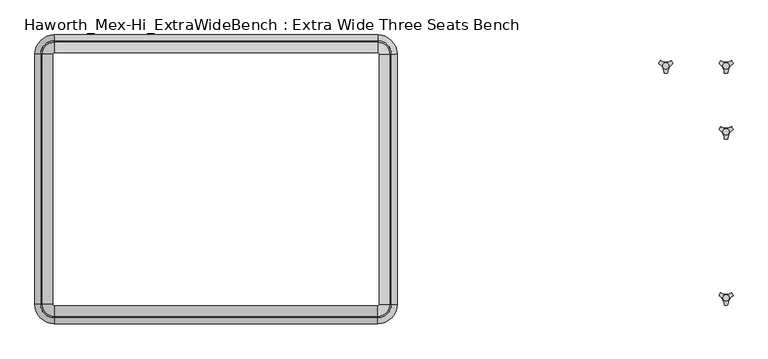
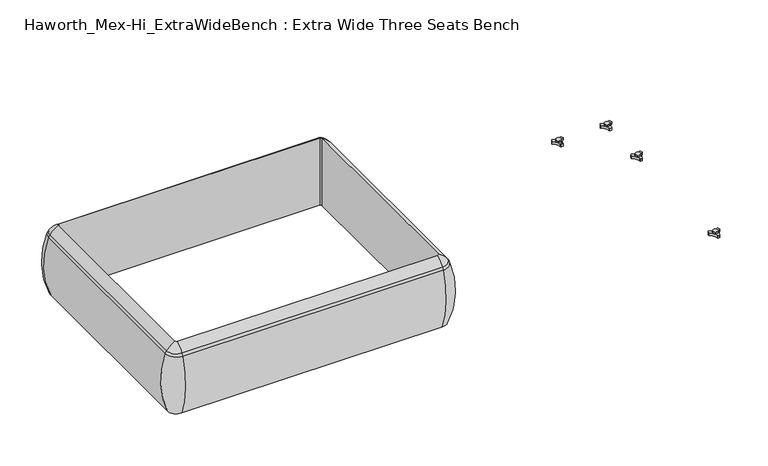
"""IFC4 building model written with IfcOpenShell, lengths in millimetres: furniture geometry, Haworth_Mex-Hi_ExtraWideBench : Extra Wide Three Seats Bench."""

from ifc_helpers import new_model, si_unit, point, frame, origin, place, context, project, spatial, polyline, circle_curve, ellipse_curve, trimmed, source, transform, mapped, element, save
from ifc_brep_helpers import plane_surface, cylinder_surface, revolved_surface, advanced_brep


def haworth_mex_hi_extrawidebench_extra_wide_three_seats_bench_f6587ee9(model_context):
    return source(origin(), model_context, "Body", "AdvancedBrep", [
        advanced_brep(
        [(-1649.118707, -668.4794123, 390.3914007), (-1643.8388998, -673.7592195, 390.3914007), (-1643.8388998, -673.7592195, 123.9999984), (-1649.118707, -668.4794123, 123.9999984), (-1677.8067512, -668.4794123, 123.9999984), (-1643.8388998, -702.4472637, 123.9999984), (-1643.8388998, -710.1267287, 353.7769053), (-1685.4862162, -668.4794123, 353.7769053), (-1649.118707, 89.8571486, 123.9999984), (-1649.118707, 89.8571486, 390.3914007), (-1685.4862162, 89.8571486, 353.7769053), (-1677.8067512, 89.8571486, 123.9999984), (-1643.8388998, 95.1369558, 390.3914007), (-1643.8388998, 95.1369558, 123.9999984), (-1643.8388998, 123.825, 123.9999984), (-1643.8388998, 131.504465, 353.7769053), (-664.6688998, 95.1369558, 123.9999984), (-664.6688998, 95.1369558, 390.3914007), (-664.6688998, 131.504465, 353.7769053), (-664.6688998, 123.825, 123.9999984), (-659.3890925, 89.8571486, 390.3914007), (-659.3890925, 89.8571486, 123.9999984), (-630.7010483, 89.8571486, 123.9999984), (-623.0215833, 89.8571486, 353.7769053), (-659.3890925, -668.4794123, 123.9999984), (-659.3890925, -668.4794123, 390.3914007), (-623.0215833, -668.4794123, 353.7769053), (-630.7010483, -668.4794123, 123.9999984), (-664.6688998, -673.7592195, 390.3914007), (-664.6688998, -673.7592195, 123.9999984), (-664.6688998, -702.4472637, 123.9999984), (-664.6688998, -710.1267287, 353.7769053), (-1680.2677563, -668.4794123, 363.6402875), (-1643.8388998, -704.9082688, 363.6402875), (-1680.2677563, 89.8571486, 363.6402875), (-1643.8388998, 126.2860051, 363.6402875), (-664.6688998, 126.2860051, 363.6402875), (-628.2400432, 89.8571486, 363.6402875), (-628.2400432, -668.4794123, 363.6402875), (-664.6688998, -704.9082688, 363.6402875)],
        [
            (0, 1, circle_curve(frame((-1643.8388998, -668.4794123, 390.3914007), z_axis=(0.0, 0.0, 1.0), x_axis=(0.0, -1.0, 0.0)), 5.2798073)),
            (1, 2),
            (2, 3, circle_curve(frame((-1643.8388998, -668.4794123, 123.9999984), z_axis=(0.0, 0.0, -1.0), x_axis=(0.0, -1.0, 0.0)), 5.2798073)),
            (3, 0),
            (4, 5, circle_curve(frame((-1643.8388998, -668.4794123, 123.9999984), z_axis=(0.0, 0.0, 1.0), x_axis=(0.0, -1.0, 0.0)), 33.9678514)),
            (5, 6, circle_curve(frame((-1643.8388998, -406.0729797, 248.9220234), z_axis=(-1.0, 0.0, 0.0), x_axis=(0.0, -1.0, 0.0)), 321.625914)),
            (6, 7, circle_curve(frame((-1643.8388998, -668.4794123, 353.7769053), z_axis=(0.0, 0.0, -1.0), x_axis=(0.0, -1.0, 0.0)), 41.6473165)),
            (7, 4, circle_curve(frame((-1381.4324672, -668.4794123, 248.9220234), z_axis=(0.0, -1.0, 0.0), x_axis=(-1.0, 0.0, 0.0)), 321.625914)),
            (3, 8),
            (8, 9),
            (9, 0),
            (7, 10),
            (10, 11, circle_curve(frame((-1381.4324672, 89.8571486, 248.9220234), z_axis=(0.0, -1.0, 0.0), x_axis=(-1.0, 0.0, 0.0)), 321.625914)),
            (11, 4),
            (12, 9, circle_curve(frame((-1643.8388998, 89.8571486, 390.3914007), z_axis=(0.0, 0.0, 1.0), x_axis=(-1.0, 0.0, 0.0)), 5.2798073)),
            (8, 13, circle_curve(frame((-1643.8388998, 89.8571486, 123.9999984), z_axis=(0.0, 0.0, -1.0), x_axis=(-1.0, 0.0, 0.0)), 5.2798073)),
            (13, 12),
            (14, 11, circle_curve(frame((-1643.8388998, 89.8571486, 123.9999984), z_axis=(0.0, 0.0, 1.0), x_axis=(-1.0, 0.0, 0.0)), 33.9678514)),
            (10, 15, circle_curve(frame((-1643.8388998, 89.8571486, 353.7769053), z_axis=(0.0, 0.0, -1.0), x_axis=(-1.0, 0.0, 0.0)), 41.6473165)),
            (15, 14, circle_curve(frame((-1643.8388998, -172.549284, 248.9220234), z_axis=(-1.0, 0.0, 0.0), x_axis=(0.0, 1.0, 0.0)), 321.625914)),
            (13, 16),
            (16, 17),
            (17, 12),
            (15, 18),
            (18, 19, circle_curve(frame((-664.6688998, -172.549284, 248.9220234), z_axis=(-1.0, 0.0, 0.0), x_axis=(0.0, 1.0, 0.0)), 321.625914)),
            (19, 14),
            (20, 17, circle_curve(frame((-664.6688998, 89.8571486, 390.3914007), z_axis=(0.0, 0.0, 1.0), x_axis=(0.0, 1.0, 0.0)), 5.2798073)),
            (16, 21, circle_curve(frame((-664.6688998, 89.8571486, 123.9999984), z_axis=(0.0, 0.0, -1.0), x_axis=(0.0, 1.0, 0.0)), 5.2798073)),
            (21, 20),
            (22, 19, circle_curve(frame((-664.6688998, 89.8571486, 123.9999984), z_axis=(0.0, 0.0, 1.0), x_axis=(0.0, 1.0, 0.0)), 33.9678514)),
            (18, 23, circle_curve(frame((-664.6688998, 89.8571486, 353.7769053), z_axis=(0.0, 0.0, -1.0), x_axis=(0.0, 1.0, 0.0)), 41.6473165)),
            (23, 22, circle_curve(frame((-927.0753323, 89.8571486, 248.9220234), z_axis=(0.0, 1.0, 0.0), x_axis=(1.0, 0.0, 0.0)), 321.625914)),
            (21, 24),
            (24, 25),
            (25, 20),
            (23, 26),
            (26, 27, circle_curve(frame((-927.0753323, -668.4794123, 248.9220234), z_axis=(0.0, 1.0, 0.0), x_axis=(1.0, 0.0, 0.0)), 321.625914)),
            (27, 22),
            (28, 25, circle_curve(frame((-664.6688998, -668.4794123, 390.3914007), z_axis=(0.0, 0.0, 1.0), x_axis=(1.0, 0.0, 0.0)), 5.2798073)),
            (24, 29, circle_curve(frame((-664.6688998, -668.4794123, 123.9999984), z_axis=(0.0, 0.0, -1.0), x_axis=(1.0, 0.0, 0.0)), 5.2798073)),
            (29, 28),
            (30, 27, circle_curve(frame((-664.6688998, -668.4794123, 123.9999984), z_axis=(0.0, 0.0, 1.0), x_axis=(1.0, 0.0, 0.0)), 33.9678514)),
            (26, 31, circle_curve(frame((-664.6688998, -668.4794123, 353.7769053), z_axis=(0.0, 0.0, -1.0), x_axis=(1.0, 0.0, 0.0)), 41.6473165)),
            (31, 30, circle_curve(frame((-664.6688998, -406.0729797, 248.9220234), z_axis=(1.0, 0.0, 0.0), x_axis=(0.0, -1.0, 0.0)), 321.625914)),
            (30, 5),
            (2, 29),
            (1, 28),
            (31, 6),
            (32, 33, circle_curve(frame((-1643.8388998, -668.4794123, 363.6402875), z_axis=(0.0, 0.0, 1.0), x_axis=(0.0, -1.0, 0.0)), 36.4288566)),
            (33, 1, circle_curve(frame((-1643.8388998, -629.5266, 307.3762868), z_axis=(-1.0, 0.0, 0.0), x_axis=(0.0, -1.0, 0.0)), 94.0639876)),
            (0, 32, circle_curve(frame((-1604.8860875, -668.4794123, 307.3762868), z_axis=(0.0, -1.0, 0.0), x_axis=(-1.0, 0.0, 0.0)), 94.0639876)),
            (6, 33, circle_curve(frame((-1643.8388998, -675.8620096, 341.9604975), z_axis=(-1.0, 0.0, 0.0), x_axis=(0.0, -1.0, 0.0)), 36.2449785)),
            (32, 7, circle_curve(frame((-1651.2214971, -668.4794123, 341.9604975), z_axis=(0.0, -1.0, 0.0), x_axis=(-1.0, 0.0, 0.0)), 36.2449785)),
            (9, 34, circle_curve(frame((-1604.8860875, 89.8571486, 307.3762868), z_axis=(0.0, -1.0, 0.0), x_axis=(-1.0, 0.0, 0.0)), 94.0639876)),
            (34, 32),
            (34, 10, circle_curve(frame((-1651.2214971, 89.8571486, 341.9604975), z_axis=(0.0, -1.0, 0.0), x_axis=(-1.0, 0.0, 0.0)), 36.2449785)),
            (35, 34, circle_curve(frame((-1643.8388998, 89.8571486, 363.6402875), z_axis=(0.0, 0.0, 1.0), x_axis=(-1.0, 0.0, 0.0)), 36.4288566)),
            (12, 35, circle_curve(frame((-1643.8388998, 50.9043363, 307.3762868), z_axis=(-1.0, 0.0, 0.0), x_axis=(0.0, 1.0, 0.0)), 94.0639876)),
            (35, 15, circle_curve(frame((-1643.8388998, 97.2397459, 341.9604975), z_axis=(-1.0, 0.0, 0.0), x_axis=(0.0, 1.0, 0.0)), 36.2449785)),
            (17, 36, circle_curve(frame((-664.6688998, 50.9043363, 307.3762868), z_axis=(-1.0, 0.0, 0.0), x_axis=(0.0, 1.0, 0.0)), 94.0639876)),
            (36, 35),
            (36, 18, circle_curve(frame((-664.6688998, 97.2397459, 341.9604975), z_axis=(-1.0, 0.0, 0.0), x_axis=(0.0, 1.0, 0.0)), 36.2449785)),
            (37, 36, circle_curve(frame((-664.6688998, 89.8571486, 363.6402875), z_axis=(0.0, 0.0, 1.0), x_axis=(0.0, 1.0, 0.0)), 36.4288566)),
            (20, 37, circle_curve(frame((-703.621712, 89.8571486, 307.3762868), z_axis=(0.0, 1.0, 0.0), x_axis=(1.0, 0.0, 0.0)), 94.0639876)),
            (37, 23, circle_curve(frame((-657.2863024, 89.8571486, 341.9604975), z_axis=(0.0, 1.0, 0.0), x_axis=(1.0, 0.0, 0.0)), 36.2449785)),
            (25, 38, circle_curve(frame((-703.621712, -668.4794123, 307.3762868), z_axis=(0.0, 1.0, 0.0), x_axis=(1.0, 0.0, 0.0)), 94.0639876)),
            (38, 37),
            (38, 26, circle_curve(frame((-657.2863024, -668.4794123, 341.9604975), z_axis=(0.0, 1.0, 0.0), x_axis=(1.0, 0.0, 0.0)), 36.2449785)),
            (39, 38, circle_curve(frame((-664.6688998, -668.4794123, 363.6402875), z_axis=(0.0, 0.0, 1.0), x_axis=(1.0, 0.0, 0.0)), 36.4288566)),
            (28, 39, circle_curve(frame((-664.6688998, -629.5266, 307.3762868), z_axis=(1.0, 0.0, 0.0), x_axis=(0.0, -1.0, 0.0)), 94.0639876)),
            (39, 31, circle_curve(frame((-664.6688998, -675.8620096, 341.9604975), z_axis=(1.0, 0.0, 0.0), x_axis=(0.0, -1.0, 0.0)), 36.2449785)),
            (33, 39),
        ],
        [
            revolved_surface(polyline([(-1643.8388998, -673.7592196, 123.9999984), (-1643.8388998, -673.7592196, 390.3914007)]), (-1643.8388998, -668.4794123, 0.0), (0.0, 0.0, -1.0)),
            revolved_surface(trimmed(ellipse_curve(frame((-1643.8388998, -406.0729797, 248.9220234), z_axis=(1.0, 0.0, 0.0), x_axis=(0.0, -1.0, 0.0)), 321.625914, 321.625914), [point((-1643.8388998, -710.1267287, 353.7769053))], [point((-1643.8388998, -702.4472637, 123.9999984))], True, "CARTESIAN"), (-1643.8388998, -668.4794123, 0.0), (0.0, 0.0, -1.0)),
            plane_surface(frame((-1649.118707, -668.4794123, 123.9999984), z_axis=(1.0, 0.0, 0.0), x_axis=(0.0, 1.0, 0.0))),
            cylinder_surface(frame((-1381.4324672, -668.4794123, 248.9220234), z_axis=(0.0, -1.0, 0.0), x_axis=(-1.0, 0.0, 0.0)), 321.625914),
            revolved_surface(polyline([(-1649.1187071, 89.8571486, 123.9999984), (-1649.1187071, 89.8571486, 390.3914007)]), (-1643.8388998, 89.8571486, 0.0), (0.0, 0.0, -1.0)),
            revolved_surface(trimmed(ellipse_curve(frame((-1381.4324672, 89.8571486, 248.9220234), z_axis=(0.0, -1.0, 0.0), x_axis=(-1.0, 0.0, 0.0)), 321.625914, 321.625914), [point((-1685.4862162, 89.8571486, 353.7769053))], [point((-1677.8067512, 89.8571486, 123.9999984))], True, "CARTESIAN"), (-1643.8388998, 89.8571486, 0.0), (0.0, 0.0, -1.0)),
            plane_surface(frame((-1643.8388998, 95.1369558, 123.9999984), z_axis=(0.0, -1.0, 0.0), x_axis=(1.0, 0.0, 0.0))),
            cylinder_surface(frame((-1643.8388998, -172.549284, 248.9220234), z_axis=(-1.0, 0.0, 0.0), x_axis=(0.0, 1.0, 0.0)), 321.625914),
            revolved_surface(polyline([(-664.6688998, 95.1369559, 123.9999984), (-664.6688998, 95.1369559, 390.3914007)]), (-664.6688998, 89.8571486, 0.0), (0.0, 0.0, -1.0)),
            revolved_surface(trimmed(ellipse_curve(frame((-664.6688998, -172.549284, 248.9220234), z_axis=(-1.0, 0.0, 0.0), x_axis=(0.0, 1.0, 0.0)), 321.625914, 321.625914), [point((-664.6688998, 131.504465, 353.7769053))], [point((-664.6688998, 123.825, 123.9999984))], True, "CARTESIAN"), (-664.6688998, 89.8571486, 0.0), (0.0, 0.0, -1.0)),
            plane_surface(frame((-659.3890925, 89.8571486, 123.9999984), z_axis=(-1.0, 0.0, 0.0), x_axis=(0.0, -1.0, 0.0))),
            cylinder_surface(frame((-927.0753323, 89.8571486, 248.9220234), z_axis=(0.0, 1.0, 0.0), x_axis=(1.0, 0.0, 0.0)), 321.625914),
            revolved_surface(polyline([(-659.3890925, -668.4794123, 123.9999984), (-659.3890925, -668.4794123, 390.3914007)]), (-664.6688998, -668.4794123, 0.0), (0.0, 0.0, -1.0)),
            revolved_surface(trimmed(ellipse_curve(frame((-927.0753323, -668.4794123, 248.9220234), z_axis=(0.0, 1.0, 0.0), x_axis=(1.0, 0.0, 0.0)), 321.625914, 321.625914), [point((-623.0215833, -668.4794123, 353.7769053))], [point((-630.7010483, -668.4794123, 123.9999984))], True, "CARTESIAN"), (-664.6688998, -668.4794123, 0.0), (0.0, 0.0, -1.0)),
            plane_surface(frame((-664.6688998, -702.4472637, 123.9999984), z_axis=(0.0, 0.0, -1.0), x_axis=(-1.0, 0.0, 0.0))),
            plane_surface(frame((-664.6688998, -673.7592195, 123.9999984), z_axis=(0.0, 1.0, 0.0), x_axis=(-1.0, 0.0, 0.0))),
            cylinder_surface(frame((-664.6688998, -406.0729797, 248.9220234), z_axis=(1.0, 0.0, 0.0), x_axis=(0.0, -1.0, 0.0)), 321.625914),
            revolved_surface(trimmed(ellipse_curve(frame((-1643.8388998, -629.5266, 307.3762868), z_axis=(1.0, 0.0, 0.0), x_axis=(0.0, -1.0, 0.0)), 94.0639876, 94.0639876), [point((-1643.8388998, -673.7592195, 390.3914007))], [point((-1643.8388998, -704.9082688, 363.6402875))], True, "CARTESIAN"), (-1643.8388998, -668.4794123, 0.0), (0.0, 0.0, -1.0)),
            revolved_surface(trimmed(ellipse_curve(frame((-1643.8388998, -675.8620096, 341.9604975), z_axis=(1.0, 0.0, 0.0), x_axis=(0.0, -1.0, 0.0)), 36.2449785, 36.2449785), [point((-1643.8388998, -704.9082688, 363.6402875))], [point((-1643.8388998, -710.1267287, 353.7769053))], True, "CARTESIAN"), (-1643.8388998, -668.4794123, 0.0), (0.0, 0.0, -1.0)),
            cylinder_surface(frame((-1604.8860875, -668.4794123, 307.3762868), z_axis=(0.0, -1.0, 0.0), x_axis=(-1.0, 0.0, 0.0)), 94.0639876),
            cylinder_surface(frame((-1651.2214971, -668.4794123, 341.9604975), z_axis=(0.0, -1.0, 0.0), x_axis=(-1.0, 0.0, 0.0)), 36.2449785),
            revolved_surface(trimmed(ellipse_curve(frame((-1604.8860875, 89.8571486, 307.3762868), z_axis=(0.0, -1.0, 0.0), x_axis=(-1.0, 0.0, 0.0)), 94.0639876, 94.0639876), [point((-1649.118707, 89.8571486, 390.3914007))], [point((-1680.2677563, 89.8571486, 363.6402875))], True, "CARTESIAN"), (-1643.8388998, 89.8571486, 0.0), (0.0, 0.0, -1.0)),
            revolved_surface(trimmed(ellipse_curve(frame((-1651.2214971, 89.8571486, 341.9604975), z_axis=(0.0, -1.0, 0.0), x_axis=(-1.0, 0.0, 0.0)), 36.2449785, 36.2449785), [point((-1680.2677563, 89.8571486, 363.6402875))], [point((-1685.4862162, 89.8571486, 353.7769053))], True, "CARTESIAN"), (-1643.8388998, 89.8571486, 0.0), (0.0, 0.0, -1.0)),
            cylinder_surface(frame((-1643.8388998, 50.9043363, 307.3762868), z_axis=(-1.0, 0.0, 0.0), x_axis=(0.0, 1.0, 0.0)), 94.0639876),
            cylinder_surface(frame((-1643.8388998, 97.2397459, 341.9604975), z_axis=(-1.0, 0.0, 0.0), x_axis=(0.0, 1.0, 0.0)), 36.2449785),
            revolved_surface(trimmed(ellipse_curve(frame((-664.6688998, 50.9043363, 307.3762868), z_axis=(-1.0, 0.0, 0.0), x_axis=(0.0, 1.0, 0.0)), 94.0639876, 94.0639876), [point((-664.6688998, 95.1369558, 390.3914007))], [point((-664.6688998, 126.2860051, 363.6402875))], True, "CARTESIAN"), (-664.6688998, 89.8571486, 0.0), (0.0, 0.0, -1.0)),
            revolved_surface(trimmed(ellipse_curve(frame((-664.6688998, 97.2397459, 341.9604975), z_axis=(-1.0, 0.0, 0.0), x_axis=(0.0, 1.0, 0.0)), 36.2449785, 36.2449785), [point((-664.6688998, 126.2860051, 363.6402875))], [point((-664.6688998, 131.504465, 353.7769053))], True, "CARTESIAN"), (-664.6688998, 89.8571486, 0.0), (0.0, 0.0, -1.0)),
            cylinder_surface(frame((-703.621712, 89.8571486, 307.3762868), z_axis=(0.0, 1.0, 0.0), x_axis=(1.0, 0.0, 0.0)), 94.0639876),
            cylinder_surface(frame((-657.2863024, 89.8571486, 341.9604975), z_axis=(0.0, 1.0, 0.0), x_axis=(1.0, 0.0, 0.0)), 36.2449785),
            revolved_surface(trimmed(ellipse_curve(frame((-703.621712, -668.4794123, 307.3762868), z_axis=(0.0, 1.0, 0.0), x_axis=(1.0, 0.0, 0.0)), 94.0639876, 94.0639876), [point((-659.3890925, -668.4794123, 390.3914007))], [point((-628.2400432, -668.4794123, 363.6402875))], True, "CARTESIAN"), (-664.6688998, -668.4794123, 0.0), (0.0, 0.0, -1.0)),
            revolved_surface(trimmed(ellipse_curve(frame((-657.2863024, -668.4794123, 341.9604975), z_axis=(0.0, 1.0, 0.0), x_axis=(1.0, 0.0, 0.0)), 36.2449785, 36.2449785), [point((-628.2400432, -668.4794123, 363.6402875))], [point((-623.0215833, -668.4794123, 353.7769053))], True, "CARTESIAN"), (-664.6688998, -668.4794123, 0.0), (0.0, 0.0, -1.0)),
            cylinder_surface(frame((-664.6688998, -629.5266, 307.3762868), z_axis=(1.0, 0.0, 0.0), x_axis=(0.0, -1.0, 0.0)), 94.0639876),
            cylinder_surface(frame((-664.6688998, -675.8620096, 341.9604975), z_axis=(1.0, 0.0, 0.0), x_axis=(0.0, -1.0, 0.0)), 36.2449785),
        ],
        [
            (0, [[1, 2, 3, 4]]),
            (1, [[5, 6, 7, 8]]),
            (2, [[-4, 9, 10, 11]]),
            (3, [[-8, 12, 13, 14]]),
            (4, [[15, -10, 16, 17]]),
            (5, [[18, -13, 19, 20]]),
            (6, [[-17, 21, 22, 23]]),
            (7, [[-20, 24, 25, 26]]),
            (8, [[27, -22, 28, 29]]),
            (9, [[30, -25, 31, 32]]),
            (10, [[-29, 33, 34, 35]]),
            (11, [[-32, 36, 37, 38]]),
            (12, [[39, -34, 40, 41]]),
            (13, [[42, -37, 43, 44]]),
            (14, [[-38, -42, 45, -5, -14, -18, -26, -30], [46, -40, -33, -28, -21, -16, -9, -3]]),
            (15, [[-41, -46, -2, 47]]),
            (16, [[-44, 48, -6, -45]]),
            (17, [[49, 50, -1, 51]]),
            (18, [[-7, 52, -49, 53]]),
            (19, [[-51, -11, 54, 55]]),
            (20, [[-53, -55, 56, -12]]),
            (21, [[57, -54, -15, 58]]),
            (22, [[-19, -56, -57, 59]]),
            (23, [[-58, -23, 60, 61]]),
            (24, [[-59, -61, 62, -24]]),
            (25, [[63, -60, -27, 64]]),
            (26, [[-31, -62, -63, 65]]),
            (27, [[-64, -35, 66, 67]]),
            (28, [[-65, -67, 68, -36]]),
            (29, [[69, -66, -39, 70]]),
            (30, [[-43, -68, -69, 71]]),
            (31, [[-70, -47, -50, 72]]),
            (32, [[-71, -72, -52, -48]]),
        ],
    ),
        advanced_brep(
        [(373.838792, -633.9963447, 98.611642), (369.6162038, -641.3100819, 98.611642), (370.0141527, -642.4761133, 98.611642), (385.8334234, -669.8758983, 98.611642), (386.6442569, -670.8035397, 98.611642), (395.0894355, -670.8035397, 98.611642), (395.8939637, -669.7137583, 98.611642), (411.9962168, -642.2119553, 98.611642), (412.1174938, -641.3100836, 98.611642), (407.8949039, -633.9963432, 98.611642), (406.6861204, -633.7579584, 98.611642), (375.047572, -633.7579584, 98.611642), (400.2397227, -648.9168654, 98.611642), (381.3347108, -648.9168654, 98.611642), (373.838792, -633.9963447, 88.6531552), (375.047572, -633.7579584, 88.6531552), (406.6861204, -633.7579584, 88.6531552), (407.8949039, -633.9963432, 88.6531552), (412.1174938, -641.3100836, 88.6531552), (411.9962168, -642.2119553, 88.6531552), (395.8939637, -669.7137583, 88.6531552), (395.0894355, -670.8035397, 88.6531552), (386.6442569, -670.8035397, 88.6531552), (385.8334234, -669.8758983, 88.6531552), (370.0141527, -642.4761133, 88.6531552), (369.6162038, -641.3100819, 88.6531552), (381.3347108, -648.9168654, 103.6569541), (400.2397227, -648.9168654, 103.6569541)],
        [
            (0, 1, circle_curve(frame((392.09828, -649.4142898, 98.611642), z_axis=(0.0, 0.0, 1.0), x_axis=(1.0, 0.0, 0.0)), 23.8981576)),
            (1, 2, circle_curve(frame((370.5437624, -641.6444428, 98.611642), z_axis=(0.0, 0.0, 1.0), x_axis=(1.0, 0.0, 0.0)), 0.9859828)),
            (2, 3, circle_curve(frame((351.6187827, -671.3632053, 98.611642), z_axis=(0.0, 0.0, -1.0), x_axis=(1.0, 0.0, 0.0)), 34.246952)),
            (3, 4, circle_curve(frame((386.8184668, -669.8330785, 98.611642), z_axis=(0.0, 0.0, 1.0), x_axis=(1.0, 0.0, 0.0)), 0.9859736)),
            (4, 5, circle_curve(frame((390.8668462, -647.2809943, 98.611642), z_axis=(0.0, 0.0, 1.0), x_axis=(1.0, 0.0, 0.0)), 23.8985439)),
            (5, 6, circle_curve(frame((394.9152236, -669.8330671, 98.611642), z_axis=(0.0, 0.0, 1.0), x_axis=(1.0, 0.0, 0.0)), 0.9859852)),
            (6, 7, circle_curve(frame((430.1156373, -671.285662, 98.611642), z_axis=(0.0, 0.0, -1.0), x_axis=(1.0, 0.0, 0.0)), 34.2577557)),
            (7, 8, circle_curve(frame((411.1899324, -641.644442, 98.611642), z_axis=(0.0, 0.0, 1.0), x_axis=(1.0, 0.0, 0.0)), 0.9859847)),
            (8, 9, circle_curve(frame((389.6358034, -649.4140667, 98.611642), z_axis=(0.0, 0.0, 1.0), x_axis=(1.0, 0.0, 0.0)), 23.8977184)),
            (9, 10, circle_curve(frame((407.1415576, -634.632458, 98.611642), z_axis=(0.0, 0.0, 1.0), x_axis=(1.0, 0.0, 0.0)), 0.9859881)),
            (10, 11, circle_curve(frame((390.8668462, -603.3828618, 98.611642), z_axis=(0.0, 0.0, -1.0), x_axis=(1.0, 0.0, 0.0)), 34.2475683)),
            (11, 0, circle_curve(frame((374.5921369, -634.632454, 98.611642), z_axis=(0.0, 0.0, 1.0), x_axis=(1.0, 0.0, 0.0)), 0.9859835)),
            (12, 13, circle_curve(frame((390.7872168, -648.9168654, 98.611642), z_axis=(0.0, 0.0, -1.0), x_axis=(1.0, 0.0, 0.0)), 9.452506)),
            (13, 12, circle_curve(frame((390.7872168, -648.9168654, 98.611642), z_axis=(0.0, 0.0, -1.0), x_axis=(1.0, 0.0, 0.0)), 9.452506)),
            (14, 15, circle_curve(frame((374.5921369, -634.632454, 88.6531552), z_axis=(0.0, 0.0, -1.0), x_axis=(1.0, 0.0, 0.0)), 0.9859835)),
            (15, 16, circle_curve(frame((390.8668462, -603.3828618, 88.6531552), z_axis=(0.0, 0.0, 1.0), x_axis=(1.0, 0.0, 0.0)), 34.2475683)),
            (16, 17, circle_curve(frame((407.1415576, -634.632458, 88.6531552), z_axis=(0.0, 0.0, -1.0), x_axis=(1.0, 0.0, 0.0)), 0.9859881)),
            (17, 18, circle_curve(frame((389.6358034, -649.4140667, 88.6531552), z_axis=(0.0, 0.0, -1.0), x_axis=(1.0, 0.0, 0.0)), 23.8977184)),
            (18, 19, circle_curve(frame((411.1899324, -641.644442, 88.6531552), z_axis=(0.0, 0.0, -1.0), x_axis=(1.0, 0.0, 0.0)), 0.9859847)),
            (19, 20, circle_curve(frame((430.1156373, -671.285662, 88.6531552), z_axis=(0.0, 0.0, 1.0), x_axis=(1.0, 0.0, 0.0)), 34.2577557)),
            (20, 21, circle_curve(frame((394.9152236, -669.8330671, 88.6531552), z_axis=(0.0, 0.0, -1.0), x_axis=(1.0, 0.0, 0.0)), 0.9859852)),
            (21, 22, circle_curve(frame((390.8668462, -647.2809943, 88.6531552), z_axis=(0.0, 0.0, -1.0), x_axis=(1.0, 0.0, 0.0)), 23.8985439)),
            (22, 23, circle_curve(frame((386.8184668, -669.8330785, 88.6531552), z_axis=(0.0, 0.0, -1.0), x_axis=(1.0, 0.0, 0.0)), 0.9859736)),
            (23, 24, circle_curve(frame((351.6187827, -671.3632053, 88.6531552), z_axis=(0.0, 0.0, 1.0), x_axis=(1.0, 0.0, 0.0)), 34.246952)),
            (24, 25, circle_curve(frame((370.5437624, -641.6444428, 88.6531552), z_axis=(0.0, 0.0, -1.0), x_axis=(1.0, 0.0, 0.0)), 0.9859828)),
            (25, 14, circle_curve(frame((392.09828, -649.4142898, 88.6531552), z_axis=(0.0, 0.0, -1.0), x_axis=(1.0, 0.0, 0.0)), 23.8981576)),
            (26, 27, circle_curve(frame((390.7872168, -648.9168654, 103.6569541), z_axis=(0.0, 0.0, 1.0), x_axis=(1.0, 0.0, 0.0)), 9.452506)),
            (27, 26, circle_curve(frame((390.7872168, -648.9168654, 103.6569541), z_axis=(0.0, 0.0, 1.0), x_axis=(1.0, 0.0, 0.0)), 9.452506)),
            (0, 14),
            (25, 1),
            (24, 2),
            (23, 3),
            (22, 4),
            (21, 5),
            (20, 6),
            (19, 7),
            (18, 8),
            (17, 9),
            (16, 10),
            (15, 11),
            (26, 13),
            (12, 27),
        ],
        [
            plane_surface(frame((415.9964377, -649.4142898, 98.611642), z_axis=(0.0, 0.0, 1.0), x_axis=(0.0, 1.0, 0.0))),
            plane_surface(frame((415.9964377, -649.4142898, 88.6531552), z_axis=(0.0, 0.0, -1.0), x_axis=(0.0, -1.0, 0.0))),
            plane_surface(frame((400.2397227, -648.9168654, 103.6569541), z_axis=(0.0, 0.0, 1.0), x_axis=(0.0, 1.0, 0.0))),
            cylinder_surface(frame((392.09828, -649.4142898, 88.6531552), z_axis=(0.0, 0.0, 1.0), x_axis=(1.0, 0.0, 0.0)), 23.8981576),
            cylinder_surface(frame((370.5437624, -641.6444428, 88.6531552), z_axis=(0.0, 0.0, 1.0), x_axis=(1.0, 0.0, 0.0)), 0.9859828),
            revolved_surface(polyline([(385.8657347, -671.3632053, 88.6531552), (385.8657347, -671.3632053, 98.611642)]), (351.6187827, -671.3632053, 88.6531552), (0.0, 0.0, -1.0)),
            cylinder_surface(frame((386.8184668, -669.8330785, 88.6531552), z_axis=(0.0, 0.0, 1.0), x_axis=(1.0, 0.0, 0.0)), 0.9859736),
            cylinder_surface(frame((390.8668462, -647.2809943, 88.6531552), z_axis=(0.0, 0.0, 1.0), x_axis=(1.0, 0.0, 0.0)), 23.8985439),
            cylinder_surface(frame((394.9152236, -669.8330671, 88.6531552), z_axis=(0.0, 0.0, 1.0), x_axis=(1.0, 0.0, 0.0)), 0.9859852),
            revolved_surface(polyline([(464.373393, -671.285662, 88.6531552), (464.373393, -671.285662, 98.611642)]), (430.1156373, -671.285662, 88.6531552), (0.0, 0.0, -1.0)),
            cylinder_surface(frame((411.1899324, -641.644442, 88.6531552), z_axis=(0.0, 0.0, 1.0), x_axis=(1.0, 0.0, 0.0)), 0.9859847),
            cylinder_surface(frame((389.6358034, -649.4140667, 88.6531552), z_axis=(0.0, 0.0, 1.0), x_axis=(1.0, 0.0, 0.0)), 23.8977184),
            cylinder_surface(frame((407.1415576, -634.632458, 88.6531552), z_axis=(0.0, 0.0, 1.0), x_axis=(1.0, 0.0, 0.0)), 0.9859881),
            revolved_surface(polyline([(425.1144145, -603.3828618, 88.6531552), (425.1144145, -603.3828618, 98.611642)]), (390.8668462, -603.3828618, 88.6531552), (0.0, 0.0, -1.0)),
            cylinder_surface(frame((374.5921369, -634.632454, 88.6531552), z_axis=(0.0, 0.0, 1.0), x_axis=(1.0, 0.0, 0.0)), 0.9859835),
            cylinder_surface(frame((390.7872168, -648.9168654, 98.611642), z_axis=(0.0, 0.0, 1.0), x_axis=(1.0, 0.0, 0.0)), 9.452506),
        ],
        [
            (0, [[1, 2, 3, 4, 5, 6, 7, 8, 9, 10, 11, 12], [13, 14]]),
            (1, [[15, 16, 17, 18, 19, 20, 21, 22, 23, 24, 25, 26]]),
            (2, [[27, 28]]),
            (3, [[-1, 29, -26, 30]]),
            (4, [[-2, -30, -25, 31]]),
            (5, [[-3, -31, -24, 32]]),
            (6, [[-4, -32, -23, 33]]),
            (7, [[-5, -33, -22, 34]]),
            (8, [[-6, -34, -21, 35]]),
            (9, [[-7, -35, -20, 36]]),
            (10, [[-8, -36, -19, 37]]),
            (11, [[-9, -37, -18, 38]]),
            (12, [[-10, -38, -17, 39]]),
            (13, [[-11, -39, -16, 40]]),
            (14, [[-12, -40, -15, -29]]),
            (15, [[-27, 41, -13, 42]]),
            (15, [[-28, -42, -14, -41]]),
        ],
    ),
        advanced_brep(
        [(373.838792, -130.2721038, 98.611642), (369.6162038, -137.585841, 98.611642), (370.0141527, -138.7518724, 98.611642), (385.8334234, -166.1516574, 98.611642), (386.6442569, -167.0792988, 98.611642), (395.0894355, -167.0792988, 98.611642), (395.8939637, -165.9895174, 98.611642), (411.9962168, -138.4877144, 98.611642), (412.1174938, -137.5858427, 98.611642), (407.8949039, -130.2721023, 98.611642), (406.6861204, -130.0337175, 98.611642), (375.047572, -130.0337175, 98.611642), (400.2397227, -145.1926245, 98.611642), (381.3347108, -145.1926245, 98.611642), (373.838792, -130.2721038, 88.6531552), (375.047572, -130.0337175, 88.6531552), (406.6861204, -130.0337175, 88.6531552), (407.8949039, -130.2721023, 88.6531552), (412.1174938, -137.5858427, 88.6531552), (411.9962168, -138.4877144, 88.6531552), (395.8939637, -165.9895174, 88.6531552), (395.0894355, -167.0792988, 88.6531552), (386.6442569, -167.0792988, 88.6531552), (385.8334234, -166.1516574, 88.6531552), (370.0141527, -138.7518724, 88.6531552), (369.6162038, -137.585841, 88.6531552), (381.3347108, -145.1926245, 103.6569541), (400.2397227, -145.1926245, 103.6569541)],
        [
            (0, 1, circle_curve(frame((392.09828, -145.690049, 98.611642), z_axis=(0.0, 0.0, 1.0), x_axis=(1.0, 0.0, 0.0)), 23.8981576)),
            (1, 2, circle_curve(frame((370.5437624, -137.920202, 98.611642), z_axis=(0.0, 0.0, 1.0), x_axis=(1.0, 0.0, 0.0)), 0.9859828)),
            (2, 3, circle_curve(frame((351.6187827, -167.6389644, 98.611642), z_axis=(0.0, 0.0, -1.0), x_axis=(1.0, 0.0, 0.0)), 34.246952)),
            (3, 4, circle_curve(frame((386.8184668, -166.1088376, 98.611642), z_axis=(0.0, 0.0, 1.0), x_axis=(1.0, 0.0, 0.0)), 0.9859736)),
            (4, 5, circle_curve(frame((390.8668462, -143.5567534, 98.611642), z_axis=(0.0, 0.0, 1.0), x_axis=(1.0, 0.0, 0.0)), 23.8985439)),
            (5, 6, circle_curve(frame((394.9152236, -166.1088262, 98.611642), z_axis=(0.0, 0.0, 1.0), x_axis=(1.0, 0.0, 0.0)), 0.9859852)),
            (6, 7, circle_curve(frame((430.1156373, -167.5614211, 98.611642), z_axis=(0.0, 0.0, -1.0), x_axis=(1.0, 0.0, 0.0)), 34.2577557)),
            (7, 8, circle_curve(frame((411.1899324, -137.9202011, 98.611642), z_axis=(0.0, 0.0, 1.0), x_axis=(1.0, 0.0, 0.0)), 0.9859847)),
            (8, 9, circle_curve(frame((389.6358034, -145.6898258, 98.611642), z_axis=(0.0, 0.0, 1.0), x_axis=(1.0, 0.0, 0.0)), 23.8977184)),
            (9, 10, circle_curve(frame((407.1415576, -130.9082171, 98.611642), z_axis=(0.0, 0.0, 1.0), x_axis=(1.0, 0.0, 0.0)), 0.9859881)),
            (10, 11, circle_curve(frame((390.8668462, -99.6586209, 98.611642), z_axis=(0.0, 0.0, -1.0), x_axis=(1.0, 0.0, 0.0)), 34.2475683)),
            (11, 0, circle_curve(frame((374.5921369, -130.9082131, 98.611642), z_axis=(0.0, 0.0, 1.0), x_axis=(1.0, 0.0, 0.0)), 0.9859835)),
            (12, 13, circle_curve(frame((390.7872168, -145.1926245, 98.611642), z_axis=(0.0, 0.0, -1.0), x_axis=(1.0, 0.0, 0.0)), 9.452506)),
            (13, 12, circle_curve(frame((390.7872168, -145.1926245, 98.611642), z_axis=(0.0, 0.0, -1.0), x_axis=(1.0, 0.0, 0.0)), 9.452506)),
            (14, 15, circle_curve(frame((374.5921369, -130.9082131, 88.6531552), z_axis=(0.0, 0.0, -1.0), x_axis=(1.0, 0.0, 0.0)), 0.9859835)),
            (15, 16, circle_curve(frame((390.8668462, -99.6586209, 88.6531552), z_axis=(0.0, 0.0, 1.0), x_axis=(1.0, 0.0, 0.0)), 34.2475683)),
            (16, 17, circle_curve(frame((407.1415576, -130.9082171, 88.6531552), z_axis=(0.0, 0.0, -1.0), x_axis=(1.0, 0.0, 0.0)), 0.9859881)),
            (17, 18, circle_curve(frame((389.6358034, -145.6898258, 88.6531552), z_axis=(0.0, 0.0, -1.0), x_axis=(1.0, 0.0, 0.0)), 23.8977184)),
            (18, 19, circle_curve(frame((411.1899324, -137.9202011, 88.6531552), z_axis=(0.0, 0.0, -1.0), x_axis=(1.0, 0.0, 0.0)), 0.9859847)),
            (19, 20, circle_curve(frame((430.1156373, -167.5614211, 88.6531552), z_axis=(0.0, 0.0, 1.0), x_axis=(1.0, 0.0, 0.0)), 34.2577557)),
            (20, 21, circle_curve(frame((394.9152236, -166.1088262, 88.6531552), z_axis=(0.0, 0.0, -1.0), x_axis=(1.0, 0.0, 0.0)), 0.9859852)),
            (21, 22, circle_curve(frame((390.8668462, -143.5567534, 88.6531552), z_axis=(0.0, 0.0, -1.0), x_axis=(1.0, 0.0, 0.0)), 23.8985439)),
            (22, 23, circle_curve(frame((386.8184668, -166.1088376, 88.6531552), z_axis=(0.0, 0.0, -1.0), x_axis=(1.0, 0.0, 0.0)), 0.9859736)),
            (23, 24, circle_curve(frame((351.6187827, -167.6389644, 88.6531552), z_axis=(0.0, 0.0, 1.0), x_axis=(1.0, 0.0, 0.0)), 34.246952)),
            (24, 25, circle_curve(frame((370.5437624, -137.920202, 88.6531552), z_axis=(0.0, 0.0, -1.0), x_axis=(1.0, 0.0, 0.0)), 0.9859828)),
            (25, 14, circle_curve(frame((392.09828, -145.690049, 88.6531552), z_axis=(0.0, 0.0, -1.0), x_axis=(1.0, 0.0, 0.0)), 23.8981576)),
            (26, 27, circle_curve(frame((390.7872168, -145.1926245, 103.6569541), z_axis=(0.0, 0.0, 1.0), x_axis=(1.0, 0.0, 0.0)), 9.452506)),
            (27, 26, circle_curve(frame((390.7872168, -145.1926245, 103.6569541), z_axis=(0.0, 0.0, 1.0), x_axis=(1.0, 0.0, 0.0)), 9.452506)),
            (0, 14),
            (25, 1),
            (24, 2),
            (23, 3),
            (22, 4),
            (21, 5),
            (20, 6),
            (19, 7),
            (18, 8),
            (17, 9),
            (16, 10),
            (15, 11),
            (26, 13),
            (12, 27),
        ],
        [
            plane_surface(frame((415.9964377, -145.690049, 98.611642), z_axis=(0.0, 0.0, 1.0), x_axis=(0.0, 1.0, 0.0))),
            plane_surface(frame((415.9964377, -145.690049, 88.6531552), z_axis=(0.0, 0.0, -1.0), x_axis=(0.0, -1.0, 0.0))),
            plane_surface(frame((400.2397227, -145.1926245, 103.6569541), z_axis=(0.0, 0.0, 1.0), x_axis=(0.0, 1.0, 0.0))),
            cylinder_surface(frame((392.09828, -145.690049, 88.6531552), z_axis=(0.0, 0.0, 1.0), x_axis=(1.0, 0.0, 0.0)), 23.8981576),
            cylinder_surface(frame((370.5437624, -137.920202, 88.6531552), z_axis=(0.0, 0.0, 1.0), x_axis=(1.0, 0.0, 0.0)), 0.9859828),
            revolved_surface(polyline([(385.8657347, -167.6389644, 88.6531552), (385.8657347, -167.6389644, 98.611642)]), (351.6187827, -167.6389644, 88.6531552), (0.0, 0.0, -1.0)),
            cylinder_surface(frame((386.8184668, -166.1088376, 88.6531552), z_axis=(0.0, 0.0, 1.0), x_axis=(1.0, 0.0, 0.0)), 0.9859736),
            cylinder_surface(frame((390.8668462, -143.5567534, 88.6531552), z_axis=(0.0, 0.0, 1.0), x_axis=(1.0, 0.0, 0.0)), 23.8985439),
            cylinder_surface(frame((394.9152236, -166.1088262, 88.6531552), z_axis=(0.0, 0.0, 1.0), x_axis=(1.0, 0.0, 0.0)), 0.9859852),
            revolved_surface(polyline([(464.373393, -167.5614211, 88.6531552), (464.373393, -167.5614211, 98.611642)]), (430.1156373, -167.5614211, 88.6531552), (0.0, 0.0, -1.0)),
            cylinder_surface(frame((411.1899324, -137.9202011, 88.6531552), z_axis=(0.0, 0.0, 1.0), x_axis=(1.0, 0.0, 0.0)), 0.9859847),
            cylinder_surface(frame((389.6358034, -145.6898258, 88.6531552), z_axis=(0.0, 0.0, 1.0), x_axis=(1.0, 0.0, 0.0)), 23.8977184),
            cylinder_surface(frame((407.1415576, -130.9082171, 88.6531552), z_axis=(0.0, 0.0, 1.0), x_axis=(1.0, 0.0, 0.0)), 0.9859881),
            revolved_surface(polyline([(425.1144145, -99.6586209, 88.6531552), (425.1144145, -99.6586209, 98.611642)]), (390.8668462, -99.6586209, 88.6531552), (0.0, 0.0, -1.0)),
            cylinder_surface(frame((374.5921369, -130.9082131, 88.6531552), z_axis=(0.0, 0.0, 1.0), x_axis=(1.0, 0.0, 0.0)), 0.9859835),
            cylinder_surface(frame((390.7872168, -145.1926245, 98.611642), z_axis=(0.0, 0.0, 1.0), x_axis=(1.0, 0.0, 0.0)), 9.452506),
        ],
        [
            (0, [[1, 2, 3, 4, 5, 6, 7, 8, 9, 10, 11, 12], [13, 14]]),
            (1, [[15, 16, 17, 18, 19, 20, 21, 22, 23, 24, 25, 26]]),
            (2, [[27, 28]]),
            (3, [[-1, 29, -26, 30]]),
            (4, [[-2, -30, -25, 31]]),
            (5, [[-3, -31, -24, 32]]),
            (6, [[-4, -32, -23, 33]]),
            (7, [[-5, -33, -22, 34]]),
            (8, [[-6, -34, -21, 35]]),
            (9, [[-7, -35, -20, 36]]),
            (10, [[-8, -36, -19, 37]]),
            (11, [[-9, -37, -18, 38]]),
            (12, [[-10, -38, -17, 39]]),
            (13, [[-11, -39, -16, 40]]),
            (14, [[-12, -40, -15, -29]]),
            (15, [[-27, 41, -13, 42]]),
            (15, [[-28, -42, -14, -41]]),
        ],
    ),
        advanced_brep(
        [(373.838792, 69.7278978, 98.611642), (369.6162038, 62.4141605, 98.611642), (370.0141527, 61.2481292, 98.611642), (385.8334234, 33.8483441, 98.611642), (386.6442569, 32.9207027, 98.611642), (395.0894355, 32.9207027, 98.611642), (395.8939637, 34.0104841, 98.611642), (411.9962168, 61.5122871, 98.611642), (412.1174938, 62.4141588, 98.611642), (407.8949039, 69.7278992, 98.611642), (406.6861204, 69.966284, 98.611642), (375.047572, 69.966284, 98.611642), (400.2397227, 54.807377, 98.611642), (381.3347108, 54.807377, 98.611642), (373.838792, 69.7278978, 88.6531552), (375.047572, 69.966284, 88.6531552), (406.6861204, 69.966284, 88.6531552), (407.8949039, 69.7278992, 88.6531552), (412.1174938, 62.4141588, 88.6531552), (411.9962168, 61.5122871, 88.6531552), (395.8939637, 34.0104841, 88.6531552), (395.0894355, 32.9207027, 88.6531552), (386.6442569, 32.9207027, 88.6531552), (385.8334234, 33.8483441, 88.6531552), (370.0141527, 61.2481292, 88.6531552), (369.6162038, 62.4141605, 88.6531552), (381.3347108, 54.807377, 103.6569541), (400.2397227, 54.807377, 103.6569541)],
        [
            (0, 1, circle_curve(frame((392.09828, 54.3099526, 98.611642), z_axis=(0.0, 0.0, 1.0), x_axis=(1.0, 0.0, 0.0)), 23.8981576)),
            (1, 2, circle_curve(frame((370.5437624, 62.0797996, 98.611642), z_axis=(0.0, 0.0, 1.0), x_axis=(1.0, 0.0, 0.0)), 0.9859828)),
            (2, 3, circle_curve(frame((351.6187827, 32.3610372, 98.611642), z_axis=(0.0, 0.0, -1.0), x_axis=(1.0, 0.0, 0.0)), 34.246952)),
            (3, 4, circle_curve(frame((386.8184668, 33.8911639, 98.611642), z_axis=(0.0, 0.0, 1.0), x_axis=(1.0, 0.0, 0.0)), 0.9859736)),
            (4, 5, circle_curve(frame((390.8668462, 56.4432481, 98.611642), z_axis=(0.0, 0.0, 1.0), x_axis=(1.0, 0.0, 0.0)), 23.8985439)),
            (5, 6, circle_curve(frame((394.9152236, 33.8911753, 98.611642), z_axis=(0.0, 0.0, 1.0), x_axis=(1.0, 0.0, 0.0)), 0.9859852)),
            (6, 7, circle_curve(frame((430.1156373, 32.4385804, 98.611642), z_axis=(0.0, 0.0, -1.0), x_axis=(1.0, 0.0, 0.0)), 34.2577557)),
            (7, 8, circle_curve(frame((411.1899324, 62.0798004, 98.611642), z_axis=(0.0, 0.0, 1.0), x_axis=(1.0, 0.0, 0.0)), 0.9859847)),
            (8, 9, circle_curve(frame((389.6358034, 54.3101757, 98.611642), z_axis=(0.0, 0.0, 1.0), x_axis=(1.0, 0.0, 0.0)), 23.8977184)),
            (9, 10, circle_curve(frame((407.1415576, 69.0917844, 98.611642), z_axis=(0.0, 0.0, 1.0), x_axis=(1.0, 0.0, 0.0)), 0.9859881)),
            (10, 11, circle_curve(frame((390.8668462, 100.3413806, 98.611642), z_axis=(0.0, 0.0, -1.0), x_axis=(1.0, 0.0, 0.0)), 34.2475683)),
            (11, 0, circle_curve(frame((374.5921369, 69.0917885, 98.611642), z_axis=(0.0, 0.0, 1.0), x_axis=(1.0, 0.0, 0.0)), 0.9859835)),
            (12, 13, circle_curve(frame((390.7872168, 54.807377, 98.611642), z_axis=(0.0, 0.0, -1.0), x_axis=(1.0, 0.0, 0.0)), 9.452506)),
            (13, 12, circle_curve(frame((390.7872168, 54.807377, 98.611642), z_axis=(0.0, 0.0, -1.0), x_axis=(1.0, 0.0, 0.0)), 9.452506)),
            (14, 15, circle_curve(frame((374.5921369, 69.0917885, 88.6531552), z_axis=(0.0, 0.0, -1.0), x_axis=(1.0, 0.0, 0.0)), 0.9859835)),
            (15, 16, circle_curve(frame((390.8668462, 100.3413806, 88.6531552), z_axis=(0.0, 0.0, 1.0), x_axis=(1.0, 0.0, 0.0)), 34.2475683)),
            (16, 17, circle_curve(frame((407.1415576, 69.0917844, 88.6531552), z_axis=(0.0, 0.0, -1.0), x_axis=(1.0, 0.0, 0.0)), 0.9859881)),
            (17, 18, circle_curve(frame((389.6358034, 54.3101757, 88.6531552), z_axis=(0.0, 0.0, -1.0), x_axis=(1.0, 0.0, 0.0)), 23.8977184)),
            (18, 19, circle_curve(frame((411.1899324, 62.0798004, 88.6531552), z_axis=(0.0, 0.0, -1.0), x_axis=(1.0, 0.0, 0.0)), 0.9859847)),
            (19, 20, circle_curve(frame((430.1156373, 32.4385804, 88.6531552), z_axis=(0.0, 0.0, 1.0), x_axis=(1.0, 0.0, 0.0)), 34.2577557)),
            (20, 21, circle_curve(frame((394.9152236, 33.8911753, 88.6531552), z_axis=(0.0, 0.0, -1.0), x_axis=(1.0, 0.0, 0.0)), 0.9859852)),
            (21, 22, circle_curve(frame((390.8668462, 56.4432481, 88.6531552), z_axis=(0.0, 0.0, -1.0), x_axis=(1.0, 0.0, 0.0)), 23.8985439)),
            (22, 23, circle_curve(frame((386.8184668, 33.8911639, 88.6531552), z_axis=(0.0, 0.0, -1.0), x_axis=(1.0, 0.0, 0.0)), 0.9859736)),
            (23, 24, circle_curve(frame((351.6187827, 32.3610372, 88.6531552), z_axis=(0.0, 0.0, 1.0), x_axis=(1.0, 0.0, 0.0)), 34.246952)),
            (24, 25, circle_curve(frame((370.5437624, 62.0797996, 88.6531552), z_axis=(0.0, 0.0, -1.0), x_axis=(1.0, 0.0, 0.0)), 0.9859828)),
            (25, 14, circle_curve(frame((392.09828, 54.3099526, 88.6531552), z_axis=(0.0, 0.0, -1.0), x_axis=(1.0, 0.0, 0.0)), 23.8981576)),
            (26, 27, circle_curve(frame((390.7872168, 54.807377, 103.6569541), z_axis=(0.0, 0.0, 1.0), x_axis=(1.0, 0.0, 0.0)), 9.452506)),
            (27, 26, circle_curve(frame((390.7872168, 54.807377, 103.6569541), z_axis=(0.0, 0.0, 1.0), x_axis=(1.0, 0.0, 0.0)), 9.452506)),
            (0, 14),
            (25, 1),
            (24, 2),
            (23, 3),
            (22, 4),
            (21, 5),
            (20, 6),
            (19, 7),
            (18, 8),
            (17, 9),
            (16, 10),
            (15, 11),
            (26, 13),
            (12, 27),
        ],
        [
            plane_surface(frame((415.9964377, 54.3099526, 98.611642), z_axis=(0.0, 0.0, 1.0), x_axis=(0.0, 1.0, 0.0))),
            plane_surface(frame((415.9964377, 54.3099526, 88.6531552), z_axis=(0.0, 0.0, -1.0), x_axis=(0.0, -1.0, 0.0))),
            plane_surface(frame((400.2397227, 54.807377, 103.6569541), z_axis=(0.0, 0.0, 1.0), x_axis=(0.0, 1.0, 0.0))),
            cylinder_surface(frame((392.09828, 54.3099526, 88.6531552), z_axis=(0.0, 0.0, 1.0), x_axis=(1.0, 0.0, 0.0)), 23.8981576),
            cylinder_surface(frame((370.5437624, 62.0797996, 88.6531552), z_axis=(0.0, 0.0, 1.0), x_axis=(1.0, 0.0, 0.0)), 0.9859828),
            revolved_surface(polyline([(385.8657347, 32.3610372, 88.6531552), (385.8657347, 32.3610372, 98.611642)]), (351.6187827, 32.3610372, 88.6531552), (0.0, 0.0, -1.0)),
            cylinder_surface(frame((386.8184668, 33.8911639, 88.6531552), z_axis=(0.0, 0.0, 1.0), x_axis=(1.0, 0.0, 0.0)), 0.9859736),
            cylinder_surface(frame((390.8668462, 56.4432481, 88.6531552), z_axis=(0.0, 0.0, 1.0), x_axis=(1.0, 0.0, 0.0)), 23.8985439),
            cylinder_surface(frame((394.9152236, 33.8911753, 88.6531552), z_axis=(0.0, 0.0, 1.0), x_axis=(1.0, 0.0, 0.0)), 0.9859852),
            revolved_surface(polyline([(464.373393, 32.4385804, 88.6531552), (464.373393, 32.4385804, 98.611642)]), (430.1156373, 32.4385804, 88.6531552), (0.0, 0.0, -1.0)),
            cylinder_surface(frame((411.1899324, 62.0798004, 88.6531552), z_axis=(0.0, 0.0, 1.0), x_axis=(1.0, 0.0, 0.0)), 0.9859847),
            cylinder_surface(frame((389.6358034, 54.3101757, 88.6531552), z_axis=(0.0, 0.0, 1.0), x_axis=(1.0, 0.0, 0.0)), 23.8977184),
            cylinder_surface(frame((407.1415576, 69.0917844, 88.6531552), z_axis=(0.0, 0.0, 1.0), x_axis=(1.0, 0.0, 0.0)), 0.9859881),
            revolved_surface(polyline([(425.1144145, 100.3413806, 88.6531552), (425.1144145, 100.3413806, 98.611642)]), (390.8668462, 100.3413806, 88.6531552), (0.0, 0.0, -1.0)),
            cylinder_surface(frame((374.5921369, 69.0917885, 88.6531552), z_axis=(0.0, 0.0, 1.0), x_axis=(1.0, 0.0, 0.0)), 0.9859835),
            cylinder_surface(frame((390.7872168, 54.807377, 98.611642), z_axis=(0.0, 0.0, 1.0), x_axis=(1.0, 0.0, 0.0)), 9.452506),
        ],
        [
            (0, [[1, 2, 3, 4, 5, 6, 7, 8, 9, 10, 11, 12], [13, 14]]),
            (1, [[15, 16, 17, 18, 19, 20, 21, 22, 23, 24, 25, 26]]),
            (2, [[27, 28]]),
            (3, [[-1, 29, -26, 30]]),
            (4, [[-2, -30, -25, 31]]),
            (5, [[-3, -31, -24, 32]]),
            (6, [[-4, -32, -23, 33]]),
            (7, [[-5, -33, -22, 34]]),
            (8, [[-6, -34, -21, 35]]),
            (9, [[-7, -35, -20, 36]]),
            (10, [[-8, -36, -19, 37]]),
            (11, [[-9, -37, -18, 38]]),
            (12, [[-10, -38, -17, 39]]),
            (13, [[-11, -39, -16, 40]]),
            (14, [[-12, -40, -15, -29]]),
            (15, [[-27, 41, -13, 42]]),
            (15, [[-28, -42, -14, -41]]),
        ],
    ),
        advanced_brep(
        [(191.4388063, 69.7278978, 98.611642), (187.2162181, 62.4141605, 98.611642), (187.614167, 61.2481292, 98.611642), (203.4334377, 33.8483441, 98.611642), (204.2442712, 32.9207027, 98.611642), (212.6894498, 32.9207027, 98.611642), (213.493978, 34.0104841, 98.611642), (229.5962311, 61.5122871, 98.611642), (229.7175081, 62.4141588, 98.611642), (225.4949182, 69.7278992, 98.611642), (224.2861347, 69.966284, 98.611642), (192.6475863, 69.966284, 98.611642), (217.839737, 54.807377, 98.611642), (198.9347251, 54.807377, 98.611642), (191.4388063, 69.7278978, 88.6531552), (192.6475863, 69.966284, 88.6531552), (224.2861347, 69.966284, 88.6531552), (225.4949182, 69.7278992, 88.6531552), (229.7175081, 62.4141588, 88.6531552), (229.5962311, 61.5122871, 88.6531552), (213.493978, 34.0104841, 88.6531552), (212.6894498, 32.9207027, 88.6531552), (204.2442712, 32.9207027, 88.6531552), (203.4334377, 33.8483441, 88.6531552), (187.614167, 61.2481292, 88.6531552), (187.2162181, 62.4141605, 88.6531552), (198.9347251, 54.807377, 103.6569541), (217.839737, 54.807377, 103.6569541)],
        [
            (0, 1, circle_curve(frame((209.6982944, 54.3099526, 98.611642), z_axis=(0.0, 0.0, 1.0), x_axis=(1.0, 0.0, 0.0)), 23.8981576)),
            (1, 2, circle_curve(frame((188.1437767, 62.0797996, 98.611642), z_axis=(0.0, 0.0, 1.0), x_axis=(1.0, 0.0, 0.0)), 0.9859828)),
            (2, 3, circle_curve(frame((169.218797, 32.3610372, 98.611642), z_axis=(0.0, 0.0, -1.0), x_axis=(1.0, 0.0, 0.0)), 34.246952)),
            (3, 4, circle_curve(frame((204.4184811, 33.8911639, 98.611642), z_axis=(0.0, 0.0, 1.0), x_axis=(1.0, 0.0, 0.0)), 0.9859736)),
            (4, 5, circle_curve(frame((208.4668605, 56.4432481, 98.611642), z_axis=(0.0, 0.0, 1.0), x_axis=(1.0, 0.0, 0.0)), 23.8985439)),
            (5, 6, circle_curve(frame((212.5152379, 33.8911753, 98.611642), z_axis=(0.0, 0.0, 1.0), x_axis=(1.0, 0.0, 0.0)), 0.9859852)),
            (6, 7, circle_curve(frame((247.7156517, 32.4385804, 98.611642), z_axis=(0.0, 0.0, -1.0), x_axis=(1.0, 0.0, 0.0)), 34.2577557)),
            (7, 8, circle_curve(frame((228.7899467, 62.0798004, 98.611642), z_axis=(0.0, 0.0, 1.0), x_axis=(1.0, 0.0, 0.0)), 0.9859847)),
            (8, 9, circle_curve(frame((207.2358178, 54.3101757, 98.611642), z_axis=(0.0, 0.0, 1.0), x_axis=(1.0, 0.0, 0.0)), 23.8977184)),
            (9, 10, circle_curve(frame((224.7415719, 69.0917844, 98.611642), z_axis=(0.0, 0.0, 1.0), x_axis=(1.0, 0.0, 0.0)), 0.9859881)),
            (10, 11, circle_curve(frame((208.4668605, 100.3413806, 98.611642), z_axis=(0.0, 0.0, -1.0), x_axis=(1.0, 0.0, 0.0)), 34.2475683)),
            (11, 0, circle_curve(frame((192.1921512, 69.0917885, 98.611642), z_axis=(0.0, 0.0, 1.0), x_axis=(1.0, 0.0, 0.0)), 0.9859835)),
            (12, 13, circle_curve(frame((208.3872311, 54.807377, 98.611642), z_axis=(0.0, 0.0, -1.0), x_axis=(1.0, 0.0, 0.0)), 9.452506)),
            (13, 12, circle_curve(frame((208.3872311, 54.807377, 98.611642), z_axis=(0.0, 0.0, -1.0), x_axis=(1.0, 0.0, 0.0)), 9.452506)),
            (14, 15, circle_curve(frame((192.1921512, 69.0917885, 88.6531552), z_axis=(0.0, 0.0, -1.0), x_axis=(1.0, 0.0, 0.0)), 0.9859835)),
            (15, 16, circle_curve(frame((208.4668605, 100.3413806, 88.6531552), z_axis=(0.0, 0.0, 1.0), x_axis=(1.0, 0.0, 0.0)), 34.2475683)),
            (16, 17, circle_curve(frame((224.7415719, 69.0917844, 88.6531552), z_axis=(0.0, 0.0, -1.0), x_axis=(1.0, 0.0, 0.0)), 0.9859881)),
            (17, 18, circle_curve(frame((207.2358178, 54.3101757, 88.6531552), z_axis=(0.0, 0.0, -1.0), x_axis=(1.0, 0.0, 0.0)), 23.8977184)),
            (18, 19, circle_curve(frame((228.7899467, 62.0798004, 88.6531552), z_axis=(0.0, 0.0, -1.0), x_axis=(1.0, 0.0, 0.0)), 0.9859847)),
            (19, 20, circle_curve(frame((247.7156517, 32.4385804, 88.6531552), z_axis=(0.0, 0.0, 1.0), x_axis=(1.0, 0.0, 0.0)), 34.2577557)),
            (20, 21, circle_curve(frame((212.5152379, 33.8911753, 88.6531552), z_axis=(0.0, 0.0, -1.0), x_axis=(1.0, 0.0, 0.0)), 0.9859852)),
            (21, 22, circle_curve(frame((208.4668605, 56.4432481, 88.6531552), z_axis=(0.0, 0.0, -1.0), x_axis=(1.0, 0.0, 0.0)), 23.8985439)),
            (22, 23, circle_curve(frame((204.4184811, 33.8911639, 88.6531552), z_axis=(0.0, 0.0, -1.0), x_axis=(1.0, 0.0, 0.0)), 0.9859736)),
            (23, 24, circle_curve(frame((169.218797, 32.3610372, 88.6531552), z_axis=(0.0, 0.0, 1.0), x_axis=(1.0, 0.0, 0.0)), 34.246952)),
            (24, 25, circle_curve(frame((188.1437767, 62.0797996, 88.6531552), z_axis=(0.0, 0.0, -1.0), x_axis=(1.0, 0.0, 0.0)), 0.9859828)),
            (25, 14, circle_curve(frame((209.6982944, 54.3099526, 88.6531552), z_axis=(0.0, 0.0, -1.0), x_axis=(1.0, 0.0, 0.0)), 23.8981576)),
            (26, 27, circle_curve(frame((208.3872311, 54.807377, 103.6569541), z_axis=(0.0, 0.0, 1.0), x_axis=(1.0, 0.0, 0.0)), 9.452506)),
            (27, 26, circle_curve(frame((208.3872311, 54.807377, 103.6569541), z_axis=(0.0, 0.0, 1.0), x_axis=(1.0, 0.0, 0.0)), 9.452506)),
            (0, 14),
            (25, 1),
            (24, 2),
            (23, 3),
            (22, 4),
            (21, 5),
            (20, 6),
            (19, 7),
            (18, 8),
            (17, 9),
            (16, 10),
            (15, 11),
            (26, 13),
            (12, 27),
        ],
        [
            plane_surface(frame((233.596452, 54.3099526, 98.611642), z_axis=(0.0, 0.0, 1.0), x_axis=(0.0, 1.0, 0.0))),
            plane_surface(frame((233.596452, 54.3099526, 88.6531552), z_axis=(0.0, 0.0, -1.0), x_axis=(0.0, -1.0, 0.0))),
            plane_surface(frame((217.839737, 54.807377, 103.6569541), z_axis=(0.0, 0.0, 1.0), x_axis=(0.0, 1.0, 0.0))),
            cylinder_surface(frame((209.6982944, 54.3099526, 88.6531552), z_axis=(0.0, 0.0, 1.0), x_axis=(1.0, 0.0, 0.0)), 23.8981576),
            cylinder_surface(frame((188.1437767, 62.0797996, 88.6531552), z_axis=(0.0, 0.0, 1.0), x_axis=(1.0, 0.0, 0.0)), 0.9859828),
            revolved_surface(polyline([(203.465749, 32.3610372, 88.6531552), (203.465749, 32.3610372, 98.611642)]), (169.218797, 32.3610372, 88.6531552), (0.0, 0.0, -1.0)),
            cylinder_surface(frame((204.4184811, 33.8911639, 88.6531552), z_axis=(0.0, 0.0, 1.0), x_axis=(1.0, 0.0, 0.0)), 0.9859736),
            cylinder_surface(frame((208.4668605, 56.4432481, 88.6531552), z_axis=(0.0, 0.0, 1.0), x_axis=(1.0, 0.0, 0.0)), 23.8985439),
            cylinder_surface(frame((212.5152379, 33.8911753, 88.6531552), z_axis=(0.0, 0.0, 1.0), x_axis=(1.0, 0.0, 0.0)), 0.9859852),
            revolved_surface(polyline([(281.9734074, 32.4385804, 88.6531552), (281.9734074, 32.4385804, 98.611642)]), (247.7156517, 32.4385804, 88.6531552), (0.0, 0.0, -1.0)),
            cylinder_surface(frame((228.7899467, 62.0798004, 88.6531552), z_axis=(0.0, 0.0, 1.0), x_axis=(1.0, 0.0, 0.0)), 0.9859847),
            cylinder_surface(frame((207.2358178, 54.3101757, 88.6531552), z_axis=(0.0, 0.0, 1.0), x_axis=(1.0, 0.0, 0.0)), 23.8977184),
            cylinder_surface(frame((224.7415719, 69.0917844, 88.6531552), z_axis=(0.0, 0.0, 1.0), x_axis=(1.0, 0.0, 0.0)), 0.9859881),
            revolved_surface(polyline([(242.7144288, 100.3413806, 88.6531552), (242.7144288, 100.3413806, 98.611642)]), (208.4668605, 100.3413806, 88.6531552), (0.0, 0.0, -1.0)),
            cylinder_surface(frame((192.1921512, 69.0917885, 88.6531552), z_axis=(0.0, 0.0, 1.0), x_axis=(1.0, 0.0, 0.0)), 0.9859835),
            cylinder_surface(frame((208.3872311, 54.807377, 98.611642), z_axis=(0.0, 0.0, 1.0), x_axis=(1.0, 0.0, 0.0)), 9.452506),
        ],
        [
            (0, [[1, 2, 3, 4, 5, 6, 7, 8, 9, 10, 11, 12], [13, 14]]),
            (1, [[15, 16, 17, 18, 19, 20, 21, 22, 23, 24, 25, 26]]),
            (2, [[27, 28]]),
            (3, [[-1, 29, -26, 30]]),
            (4, [[-2, -30, -25, 31]]),
            (5, [[-3, -31, -24, 32]]),
            (6, [[-4, -32, -23, 33]]),
            (7, [[-5, -33, -22, 34]]),
            (8, [[-6, -34, -21, 35]]),
            (9, [[-7, -35, -20, 36]]),
            (10, [[-8, -36, -19, 37]]),
            (11, [[-9, -37, -18, 38]]),
            (12, [[-10, -38, -17, 39]]),
            (13, [[-11, -39, -16, 40]]),
            (14, [[-12, -40, -15, -29]]),
            (15, [[-27, 41, -13, 42]]),
            (15, [[-28, -42, -14, -41]]),
        ],
    ),
    ])


if __name__ == "__main__":
    model = new_model("IFC4")
    model_context = context("Model", 3, world=origin())
    ifc_project = project(units=[si_unit("LENGTHUNIT", "METRE", prefix="MILLI")], contexts=[model_context])
    site = spatial("IfcSite", under=ifc_project)
    building = spatial("IfcBuilding", under=site)
    placement = place(None, origin())
    haworth_mex_hi_extrawidebench_extra_wide_three_seats_bench_shape = haworth_mex_hi_extrawidebench_extra_wide_three_seats_bench_f6587ee9(model_context)
    element("IfcFurniture", 1, ObjectType="Haworth_Mex-Hi_ExtraWideBench : Extra Wide Three Seats Bench", at=placement, inside=building, context=model_context, shape_type="MappedRepresentation", body=[
        mapped(haworth_mex_hi_extrawidebench_extra_wide_three_seats_bench_shape, transform((0.0, 0.0, 0.0), x_axis=(1.0, 0.0, 0.0), y_axis=(0.0, 1.0, 0.0), z_axis=(0.0, 0.0, 1.0))),
    ])
    save(model, "model.ifc")
